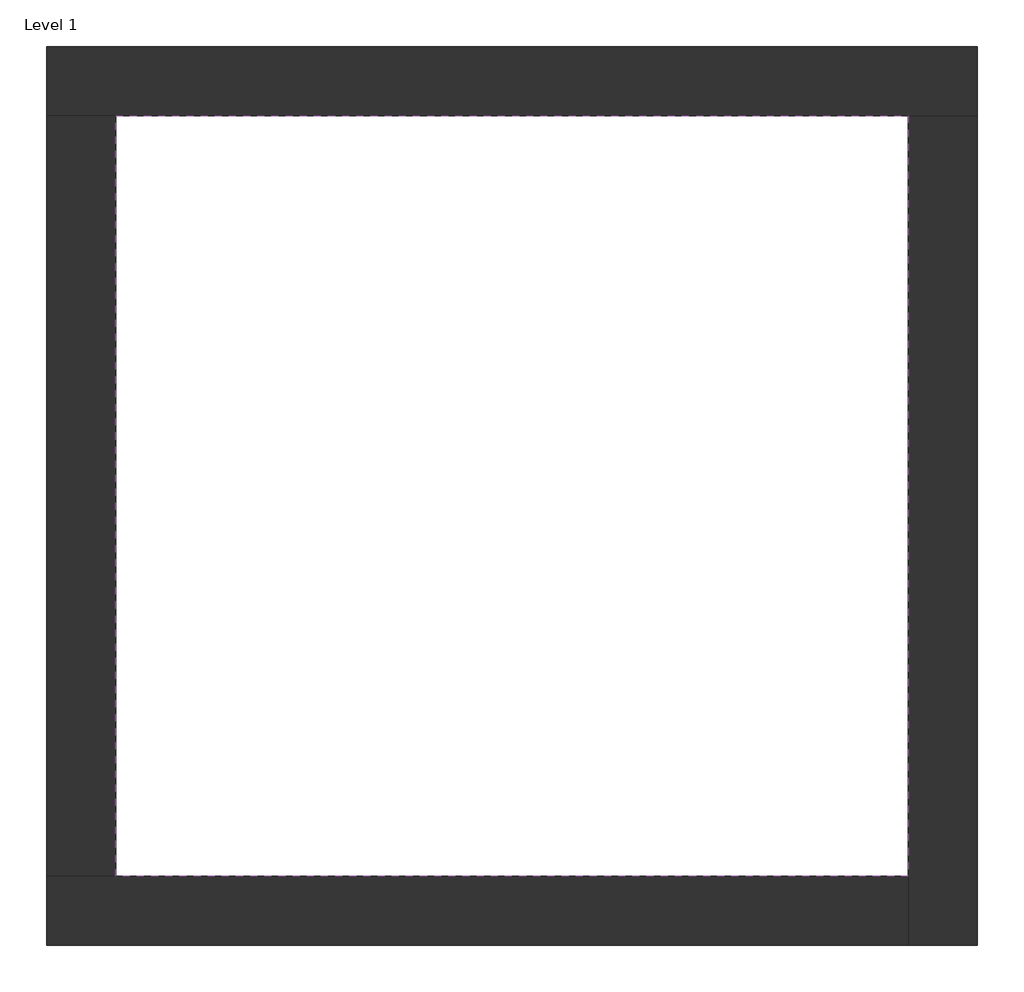
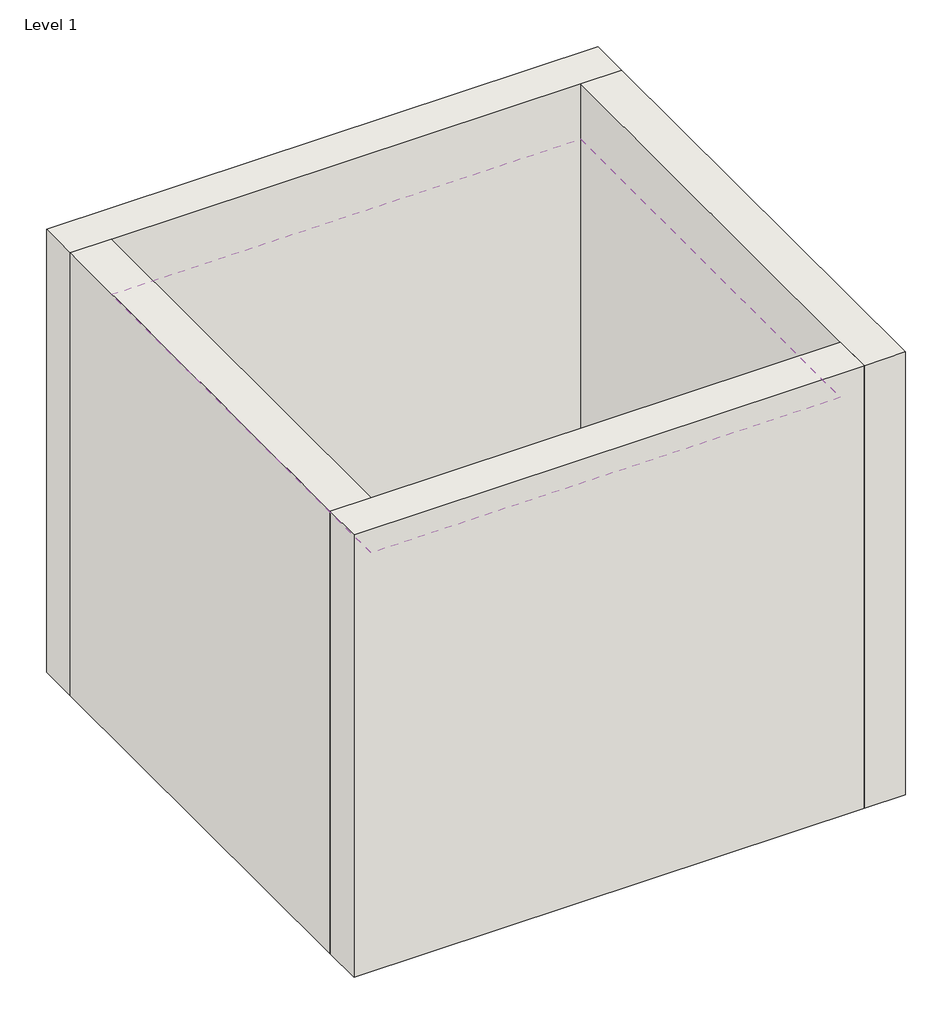
# One storey: 4 walls, 1 covering.
"""IFC4 building model written with IfcOpenShell, lengths in millimetres."""

from ifc_helpers import new_model, si_unit, frame, origin, origin_with_axes, place, context, project, spatial, polyline, outline, extrude, faceted_brep, element, save

model = new_model("IFC4")

# Units and contexts
model_context = context("Model", 3, world=origin())
ifc_project = project(units=[si_unit("LENGTHUNIT", "METRE", prefix="MILLI")], contexts=[model_context])

# Site, building, storey
site = spatial("IfcSite", under=ifc_project)
building = spatial("IfcBuilding", under=site)
storey = spatial("IfcBuildingStorey", under=building, Name="Level 1", Elevation=0.0)

# Covering
placement = place(None, origin())
element("IfcCovering", 1, ObjectType="CAP. 4 - SiS 02 - PLAFON", at=placement, inside=storey, context=model_context, shape_type="SweptSolid", body=[
    extrude(outline(polyline([(-14894.8573003, 6921.2750283), (-10882.3573003, 6921.2750283), (-10882.3573003, 3071.2750283), (-14894.8573003, 3071.2750283), (-14894.8573003, 6921.2750283)])), frame((0.0, 0.0, 3500.0), z_axis=(0.0, 0.0, 1.0), x_axis=(1.0, 0.0, 0.0)), (0.0, 0.0, 1.0), 76.7),
])

# Walls
element("IfcWall", 2, ObjectType="Exterior - Brick on Mtl. Stud", at=placement, inside=storey, context=model_context, shape_type="Brep", body=[
    faceted_brep([(-15244.8573003, 6921.2750283, 0.0), (-14894.8573003, 6921.2750283, 0.0), (-10882.3573003, 6921.2750283, 0.0), (-10532.3573003, 6921.2750283, 0.0), (-10532.3573003, 6921.2750283, 4000.0), (-10882.3573003, 6921.2750283, 4000.0), (-14894.8573003, 6921.2750283, 4000.0), (-15244.8573003, 6921.2750283, 4000.0), (-15244.8573003, 7271.2750283, 0.0), (-15244.8573003, 7271.2750283, 4000.0), (-10532.3573003, 7271.2750283, 4000.0), (-10532.3573003, 7271.2750283, 0.0)], [[[0, 1, 2, 3, 4, 5, 6, 7]], [[8, 9, 10, 11]], [[3, 2, 1, 0, 8, 11]], [[7, 6, 5, 4, 10, 9]], [[0, 7, 9, 8]], [[4, 3, 11, 10]]]),
])
element("IfcWall", 3, ObjectType="Exterior - Brick on Mtl. Stud", at=placement, inside=storey, context=model_context, shape_type="Brep", body=[
    faceted_brep([(-10882.3573003, 6921.2750283, 0.0), (-10882.3573003, 3071.2750283, 0.0), (-10882.3573003, 2721.2750283, 0.0), (-10882.3573003, 2721.2750283, 4000.0), (-10882.3573003, 3071.2750283, 4000.0), (-10882.3573003, 6921.2750283, 4000.0), (-10532.3573003, 6921.2750283, 0.0), (-10532.3573003, 6921.2750283, 4000.0), (-10532.3573003, 2721.2750283, 4000.0), (-10532.3573003, 2721.2750283, 0.0)], [[[0, 1, 2, 3, 4, 5]], [[6, 7, 8, 9]], [[2, 1, 0, 6, 9]], [[5, 4, 3, 8, 7]], [[3, 2, 9, 8]], [[0, 5, 7, 6]]]),
])
element("IfcWall", 4, ObjectType="Exterior - Brick on Mtl. Stud", at=placement, inside=storey, context=model_context, shape_type="Brep", body=[
    faceted_brep([(-10882.3573003, 3071.2750283, 0.0), (-14894.8573003, 3071.2750283, 0.0), (-15244.8573003, 3071.2750283, 0.0), (-15244.8573003, 3071.2750283, 4000.0), (-14894.8573003, 3071.2750283, 4000.0), (-10882.3573003, 3071.2750283, 4000.0), (-10882.3573003, 2721.2750283, 0.0), (-10882.3573003, 2721.2750283, 4000.0), (-15244.8573003, 2721.2750283, 4000.0), (-15244.8573003, 2721.2750283, 0.0)], [[[0, 1, 2, 3, 4, 5]], [[6, 7, 8, 9]], [[2, 1, 0, 6, 9]], [[5, 4, 3, 8, 7]], [[3, 2, 9, 8]], [[0, 5, 7, 6]]]),
])
element("IfcWall", 5, ObjectType="Exterior - Brick on Mtl. Stud", at=placement, inside=storey, context=model_context, shape_type="SweptSolid", body=[
    extrude(outline(polyline([(-14894.8573003, 6921.2750283), (-14894.8573003, 3071.2750283), (-15244.8573003, 3071.2750283), (-15244.8573003, 6921.2750283), (-14894.8573003, 6921.2750283)])), origin_with_axes(), (0.0, 0.0, 1.0), 4000.0),
])

save(model, "model.ifc")
